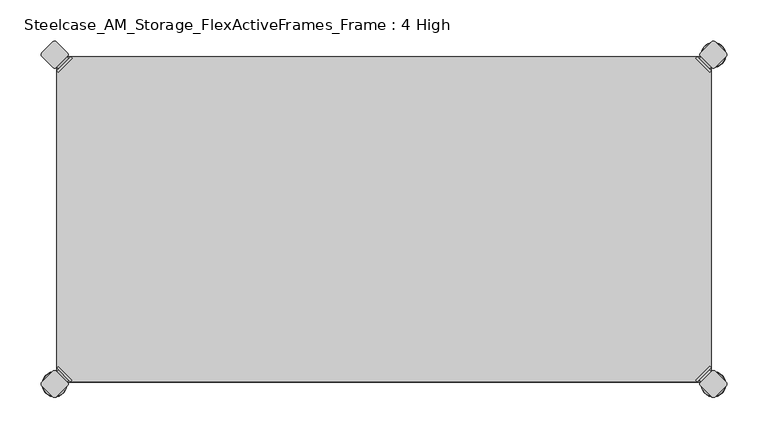
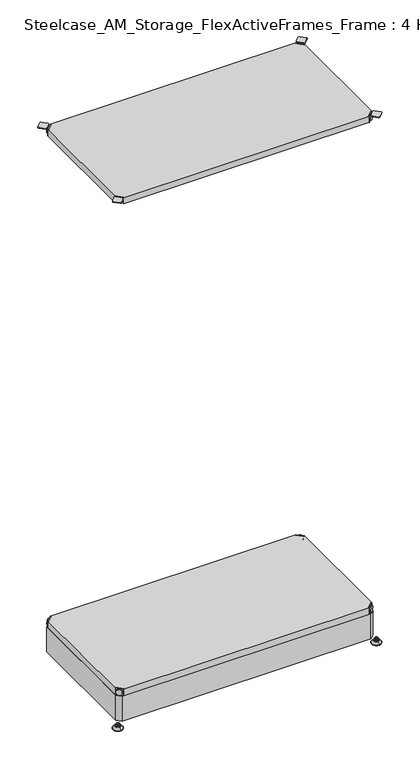
"""IFC4 building model written with IfcOpenShell, lengths in millimetres: furniture geometry, Steelcase_AM_Storage_FlexActiveFrames_Frame : 4 High."""

from ifc_helpers import new_model, si_unit, point, frame, frame_2d, origin, place, context, project, spatial, polyline, circle_curve, ellipse_curve, trimmed, segment, composite_curve, outline, extrude, source, transform, mapped, element, save
from ifc_brep_helpers import plane_surface, cylinder_surface, revolved_surface, advanced_brep


def steelcase_am_storage_flexactiveframes_frame_4_high_690be0ef(model_context):
    return source(origin(), model_context, "Body", "SolidModel", [
        advanced_brep(
        [(797.56, -380.2870969, 1725.93), (795.7639488, -378.4910456, 1725.93), (778.5410456, -395.7139488, 1725.93), (780.3370969, -397.51, 1725.93), (780.3370969, -397.51, 1704.594), (797.56, -380.2870969, 1704.594), (795.2347277, -382.6123691, 1715.77), (782.6623691, -395.1847277, 1715.77), (769.8079478, -352.5350447, 1705.61), (752.5850447, -369.7579478, 1705.61), (778.5410456, -395.7139488, 1705.61), (795.7639488, -378.4910456, 1705.61), (769.8079478, -352.5350447, 1704.594), (752.5850447, -369.7579478, 1704.594), (784.9772487, -397.4996073, 1715.77), (797.5496073, -384.9272487, 1715.77)],
        [
            (0, 1),
            (1, 2),
            (2, 3),
            (3, 0),
            (3, 4),
            (4, 5),
            (5, 0),
            (6, 7, circle_curve(frame((788.9485484, -388.8985484, 1715.77), z_axis=(-0.7071067811865446, 0.7071067811865505, 0.0), x_axis=(0.7071067811865505, 0.7071067811865446, 0.0)), 8.89)),
            (7, 6, circle_curve(frame((788.9485484, -388.8985484, 1715.77), z_axis=(-0.7071067811865446, 0.7071067811865505, 0.0), x_axis=(0.7071067811865505, 0.7071067811865446, 0.0)), 8.89)),
            (8, 9, circle_curve(frame((761.1964963, -361.1464963, 1705.61), z_axis=(0.0, 0.0, 1.0), x_axis=(-1.0, 0.0, 0.0)), 12.1784316)),
            (9, 10),
            (10, 11),
            (11, 8),
            (12, 5),
            (4, 13),
            (13, 12, circle_curve(frame((761.1964963, -361.1464963, 1704.594), z_axis=(0.0, 0.0, -1.0), x_axis=(-1.0, 0.0, 0.0)), 12.1784316)),
            (14, 15, circle_curve(frame((791.263428, -391.213428, 1715.77), z_axis=(0.7071067811865446, -0.7071067811865505, 0.0), x_axis=(0.7071067811865505, 0.7071067811865446, 0.0)), 8.89)),
            (15, 14, circle_curve(frame((791.263428, -391.213428, 1715.77), z_axis=(0.7071067811865446, -0.7071067811865505, 0.0), x_axis=(0.7071067811865505, 0.7071067811865446, 0.0)), 8.89)),
            (14, 7),
            (6, 15),
            (1, 11),
            (10, 2),
            (8, 12),
            (13, 9),
        ],
        [
            plane_surface(frame((819.7579872, -402.485084, 1725.93), z_axis=(0.0, 0.0, 1.0000000000000002), x_axis=(-0.7071067811865436, 0.7071067811865516, 0.0))),
            plane_surface(frame((780.3370969, -397.51, 1725.93), z_axis=(0.7071067811865447, -0.7071067811865503, 0.0), x_axis=(0.0, 0.0, -1.0))),
            plane_surface(frame((749.0180647, -361.1464963, 1705.61), z_axis=(0.0, 0.0, 1.0), x_axis=(0.0, -1.0, 0.0))),
            plane_surface(frame((749.0180647, -361.1464963, 1704.594), z_axis=(0.0, 0.0, -1.0), x_axis=(0.0, 1.0, 0.0))),
            plane_surface(frame((797.5496073, -384.9272487, 1715.77), z_axis=(0.7071067811865446, -0.7071067811865505, 0.0), x_axis=(0.0, 0.0, 1.0))),
            cylinder_surface(frame((788.9485484, -388.8985484, 1715.77), z_axis=(0.7071067811865446, -0.7071067811865505, 0.0), x_axis=(0.7071067811865505, 0.7071067811865446, 0.0)), 8.89),
            plane_surface(frame((795.7639488, -378.4910456, 1725.93), z_axis=(-0.7071067811865447, 0.7071067811865503, 0.0), x_axis=(0.0, 0.0, -1.0))),
            cylinder_surface(frame((761.1964963, -361.1464963, 1704.594), z_axis=(0.0, 0.0, 1.0), x_axis=(-1.0, 0.0, 0.0)), 12.1784316),
            plane_surface(frame((797.56, -380.2870969, 1725.93), z_axis=(0.7071067811865516, 0.7071067811865436, 0.0), x_axis=(0.0, 0.0, -1.0))),
            plane_surface(frame((778.5410456, -395.7139488, 1725.93), z_axis=(-0.7071067811865513, -0.7071067811865437, 0.0), x_axis=(0.0, 0.0, -1.0))),
        ],
        [
            (0, [[1, 2, 3, 4]]),
            (1, [[-4, 5, 6, 7], [8, 9]]),
            (2, [[10, 11, 12, 13]]),
            (3, [[14, -6, 15, 16]]),
            (4, [[17, 18]]),
            (5, [[-17, 19, -8, 20]]),
            (5, [[-18, -20, -9, -19]]),
            (6, [[-2, 21, -12, 22]]),
            (7, [[-10, 23, -16, 24]]),
            (8, [[-1, -7, -14, -23, -13, -21]]),
            (9, [[-3, -22, -11, -24, -15, -5]]),
        ],
    ),
        advanced_brep(
        [(797.56, -19.7629031, 1725.93), (780.3370969, -2.54, 1725.93), (778.5410456, -4.3360512, 1725.93), (795.7639488, -21.5589544, 1725.93), (797.56, -19.7629031, 1704.594), (780.3370969, -2.54, 1704.594), (795.2347277, -17.4376309, 1715.77), (782.6623691, -4.8652723, 1715.77), (769.8079478, -47.5149553, 1705.61), (795.7639488, -21.5589544, 1705.61), (778.5410456, -4.3360512, 1705.61), (752.5850447, -30.2920522, 1705.61), (769.8079478, -47.5149553, 1704.594), (752.5850447, -30.2920522, 1704.594), (784.9772487, -2.5503927, 1715.77), (797.5496073, -15.1227513, 1715.77)],
        [
            (0, 1),
            (1, 2),
            (2, 3),
            (3, 0),
            (0, 4),
            (4, 5),
            (5, 1),
            (6, 7, circle_curve(frame((788.9485484, -11.1514516, 1715.77), z_axis=(-0.7071067811865469, -0.7071067811865481, 0.0), x_axis=(0.7071067811865481, -0.7071067811865469, 0.0)), 8.89)),
            (7, 6, circle_curve(frame((788.9485484, -11.1514516, 1715.77), z_axis=(-0.7071067811865469, -0.7071067811865481, 0.0), x_axis=(0.7071067811865481, -0.7071067811865469, 0.0)), 8.89)),
            (8, 9),
            (9, 10),
            (10, 11),
            (11, 8, circle_curve(frame((761.1964963, -38.9035037, 1705.61), z_axis=(0.0, 0.0, 1.0), x_axis=(-1.0, 0.0, 0.0)), 12.1784316)),
            (12, 13, circle_curve(frame((761.1964963, -38.9035037, 1704.594), z_axis=(0.0, 0.0, -1.0), x_axis=(-1.0, 0.0, 0.0)), 12.1784316)),
            (13, 5),
            (4, 12),
            (14, 15, circle_curve(frame((791.263428, -8.836572, 1715.77), z_axis=(0.7071067811865469, 0.7071067811865481, 0.0), x_axis=(0.7071067811865481, -0.7071067811865469, 0.0)), 8.89)),
            (15, 14, circle_curve(frame((791.263428, -8.836572, 1715.77), z_axis=(0.7071067811865469, 0.7071067811865481, 0.0), x_axis=(0.7071067811865481, -0.7071067811865469, 0.0)), 8.89)),
            (15, 6),
            (7, 14),
            (2, 10),
            (9, 3),
            (11, 13),
            (12, 8),
        ],
        [
            plane_surface(frame((819.7579872, 2.435084, 1725.93), z_axis=(0.0, 0.0, 1.0000000000000002), x_axis=(-0.7071067811865459, -0.7071067811865492, 0.0))),
            plane_surface(frame((780.3370969, -2.54, 1725.93), z_axis=(0.707106781186547, 0.707106781186548, 0.0), x_axis=(0.0, 0.0, -1.0))),
            plane_surface(frame((749.0180647, -38.9035037, 1705.61), z_axis=(0.0, 0.0, 1.0), x_axis=(0.0, 1.0, 0.0))),
            plane_surface(frame((749.0180647, -38.9035037, 1704.594), z_axis=(0.0, 0.0, -1.0), x_axis=(0.0, -1.0, 0.0))),
            plane_surface(frame((797.5496073, -15.1227513, 1715.77), z_axis=(0.7071067811865469, 0.7071067811865481, 0.0), x_axis=(0.0, 0.0, 1.0))),
            cylinder_surface(frame((788.9485484, -11.1514516, 1715.77), z_axis=(0.7071067811865469, 0.7071067811865481, 0.0), x_axis=(0.7071067811865481, -0.7071067811865469, 0.0)), 8.89),
            plane_surface(frame((795.7639488, -21.5589544, 1725.93), z_axis=(-0.707106781186547, -0.707106781186548, 0.0), x_axis=(0.0, 0.0, -1.0))),
            cylinder_surface(frame((761.1964963, -38.9035037, 1704.594), z_axis=(0.0, 0.0, 1.0), x_axis=(-1.0, 0.0, 0.0)), 12.1784316),
            plane_surface(frame((797.56, -19.7629031, 1725.93), z_axis=(0.7071067811865492, -0.7071067811865459, 0.0), x_axis=(0.0, 0.0, -1.0))),
            plane_surface(frame((778.5410456, -4.3360512, 1725.93), z_axis=(-0.707106781186549, 0.707106781186546, 0.0), x_axis=(0.0, 0.0, -1.0))),
        ],
        [
            (0, [[1, 2, 3, 4]]),
            (1, [[5, 6, 7, -1], [8, 9]]),
            (2, [[10, 11, 12, 13]]),
            (3, [[14, 15, -6, 16]]),
            (4, [[17, 18]]),
            (5, [[19, -9, 20, -18]]),
            (5, [[-20, -8, -19, -17]]),
            (6, [[21, -11, 22, -3]]),
            (7, [[23, -14, 24, -13]]),
            (8, [[-22, -10, -24, -16, -5, -4]]),
            (9, [[-7, -15, -23, -12, -21, -2]]),
        ],
    ),
        advanced_brep(
        [(2.54, -19.7629031, 1725.93), (4.3360512, -21.5589544, 1725.93), (21.5589544, -4.3360512, 1725.93), (19.7629031, -2.54, 1725.93), (19.7629031, -2.54, 1704.594), (2.54, -19.7629031, 1704.594), (4.8652723, -17.4376309, 1715.77), (17.4376309, -4.8652723, 1715.77), (30.2920522, -47.5149553, 1705.61), (47.5149553, -30.2920522, 1705.61), (21.5589544, -4.3360512, 1705.61), (4.3360512, -21.5589544, 1705.61), (30.2920522, -47.5149553, 1704.594), (47.5149553, -30.2920522, 1704.594), (15.1227513, -2.5503927, 1715.77), (2.5503927, -15.1227513, 1715.77)],
        [
            (0, 1),
            (1, 2),
            (2, 3),
            (3, 0),
            (3, 4),
            (4, 5),
            (5, 0),
            (6, 7, circle_curve(frame((11.1514516, -11.1514516, 1715.77), z_axis=(0.7071067811865469, -0.7071067811865481, 0.0), x_axis=(-0.7071067811865481, -0.7071067811865469, 0.0)), 8.89)),
            (7, 6, circle_curve(frame((11.1514516, -11.1514516, 1715.77), z_axis=(0.7071067811865469, -0.7071067811865481, 0.0), x_axis=(-0.7071067811865481, -0.7071067811865469, 0.0)), 8.89)),
            (8, 9, circle_curve(frame((38.9035037, -38.9035037, 1705.61), z_axis=(0.0, 0.0, 1.0), x_axis=(1.0, 0.0, 0.0)), 12.1784316)),
            (9, 10),
            (10, 11),
            (11, 8),
            (12, 5),
            (4, 13),
            (13, 12, circle_curve(frame((38.9035037, -38.9035037, 1704.594), z_axis=(0.0, 0.0, -1.0), x_axis=(1.0, 0.0, 0.0)), 12.1784316)),
            (14, 15, circle_curve(frame((8.836572, -8.836572, 1715.77), z_axis=(-0.7071067811865469, 0.7071067811865481, 0.0), x_axis=(-0.7071067811865481, -0.7071067811865469, 0.0)), 8.89)),
            (15, 14, circle_curve(frame((8.836572, -8.836572, 1715.77), z_axis=(-0.7071067811865469, 0.7071067811865481, 0.0), x_axis=(-0.7071067811865481, -0.7071067811865469, 0.0)), 8.89)),
            (14, 7),
            (6, 15),
            (1, 11),
            (10, 2),
            (8, 12),
            (13, 9),
        ],
        [
            plane_surface(frame((-19.6579872, 2.435084, 1725.93), z_axis=(0.0, 0.0, 1.0000000000000002), x_axis=(0.7071067811865459, -0.7071067811865492, 0.0))),
            plane_surface(frame((19.7629031, -2.54, 1725.93), z_axis=(-0.707106781186547, 0.707106781186548, 0.0), x_axis=(0.0, 0.0, -1.0))),
            plane_surface(frame((51.0819353, -38.9035037, 1705.61), z_axis=(0.0, 0.0, 1.0), x_axis=(0.0, 1.0, 0.0))),
            plane_surface(frame((51.0819353, -38.9035037, 1704.594), z_axis=(0.0, 0.0, -1.0), x_axis=(0.0, -1.0, 0.0))),
            plane_surface(frame((2.5503927, -15.1227513, 1715.77), z_axis=(-0.7071067811865469, 0.7071067811865481, 0.0), x_axis=(0.0, 0.0, 1.0))),
            cylinder_surface(frame((11.1514516, -11.1514516, 1715.77), z_axis=(-0.7071067811865469, 0.7071067811865481, 0.0), x_axis=(-0.7071067811865481, -0.7071067811865469, 0.0)), 8.89),
            plane_surface(frame((4.3360512, -21.5589544, 1725.93), z_axis=(0.707106781186547, -0.707106781186548, 0.0), x_axis=(0.0, 0.0, -1.0))),
            cylinder_surface(frame((38.9035037, -38.9035037, 1704.594), z_axis=(0.0, 0.0, 1.0), x_axis=(1.0, 0.0, 0.0)), 12.1784316),
            plane_surface(frame((2.54, -19.7629031, 1725.93), z_axis=(-0.7071067811865492, -0.7071067811865459, 0.0), x_axis=(0.0, 0.0, -1.0))),
            plane_surface(frame((21.5589544, -4.3360512, 1725.93), z_axis=(0.707106781186549, 0.707106781186546, 0.0), x_axis=(0.0, 0.0, -1.0))),
        ],
        [
            (0, [[1, 2, 3, 4]]),
            (1, [[-4, 5, 6, 7], [8, 9]]),
            (2, [[10, 11, 12, 13]]),
            (3, [[14, -6, 15, 16]]),
            (4, [[17, 18]]),
            (5, [[-17, 19, -8, 20]]),
            (5, [[-18, -20, -9, -19]]),
            (6, [[-2, 21, -12, 22]]),
            (7, [[-10, 23, -16, 24]]),
            (8, [[-1, -7, -14, -23, -13, -21]]),
            (9, [[-3, -22, -11, -24, -15, -5]]),
        ],
    ),
        extrude(outline(polyline([(19.7629031, -2.54), (780.3370969, -2.54), (778.5410456, -4.3360512), (795.7639488, -21.5589544), (797.56, -19.7629031), (797.56, -380.2870969), (795.7639488, -378.4910456), (778.5410456, -395.7139488), (780.3370969, -397.51), (19.7629031, -397.51), (21.5589544, -395.7139488), (4.3360512, -378.4910456), (2.54, -380.2870969), (2.54, -19.7629031), (4.3360512, -21.5589544), (21.5589544, -4.3360512), (19.7629031, -2.54)])), frame((0.0, 0.0, 1705.61), z_axis=(0.0, 0.0, 1.0), x_axis=(1.0, 0.0, 0.0)), (0.0, 0.0, 1.0), 20.32),
        advanced_brep(
        [(2.54, -380.2870969, 118.9736), (19.7629031, -397.51, 118.9736), (21.5589544, -395.7139488, 118.9736), (4.3360512, -378.4910456, 118.9736), (2.54, -380.2870969, 97.6376), (19.7629031, -397.51, 97.6376), (4.8652723, -382.6123691, 108.8136), (17.4376309, -395.1847277, 108.8136), (30.2920522, -352.5350447, 98.6536), (4.3360512, -378.4910456, 98.6536), (21.5589544, -395.7139488, 98.6536), (47.5149553, -369.7579478, 98.6536), (30.2920522, -352.5350447, 97.6376), (47.5149553, -369.7579478, 97.6376), (15.1227513, -397.4996073, 108.8136), (2.5503927, -384.9272487, 108.8136)],
        [
            (0, 1),
            (1, 2),
            (2, 3),
            (3, 0),
            (0, 4),
            (4, 5),
            (5, 1),
            (6, 7, circle_curve(frame((11.1514516, -388.8985484, 108.8136), z_axis=(0.7071067811865446, 0.7071067811865505, 0.0), x_axis=(-0.7071067811865505, 0.7071067811865446, 0.0)), 8.89)),
            (7, 6, circle_curve(frame((11.1514516, -388.8985484, 108.8136), z_axis=(0.7071067811865446, 0.7071067811865505, 0.0), x_axis=(-0.7071067811865505, 0.7071067811865446, 0.0)), 8.89)),
            (8, 9),
            (9, 10),
            (10, 11),
            (11, 8, circle_curve(frame((38.9035037, -361.1464963, 98.6536), z_axis=(0.0, 0.0, 1.0), x_axis=(1.0, 0.0, 0.0)), 12.1784316)),
            (12, 13, circle_curve(frame((38.9035037, -361.1464963, 97.6376), z_axis=(0.0, 0.0, -1.0), x_axis=(1.0, 0.0, 0.0)), 12.1784316)),
            (13, 5),
            (4, 12),
            (14, 15, circle_curve(frame((8.836572, -391.213428, 108.8136), z_axis=(-0.7071067811865446, -0.7071067811865505, 0.0), x_axis=(-0.7071067811865505, 0.7071067811865446, 0.0)), 8.89)),
            (15, 14, circle_curve(frame((8.836572, -391.213428, 108.8136), z_axis=(-0.7071067811865446, -0.7071067811865505, 0.0), x_axis=(-0.7071067811865505, 0.7071067811865446, 0.0)), 8.89)),
            (15, 6),
            (7, 14),
            (2, 10),
            (9, 3),
            (11, 13),
            (12, 8),
        ],
        [
            plane_surface(frame((-19.6579872, -402.485084, 118.9736), z_axis=(0.0, 0.0, 1.0000000000000002), x_axis=(0.7071067811865436, 0.7071067811865516, 0.0))),
            plane_surface(frame((19.7629031, -397.51, 118.9736), z_axis=(-0.7071067811865447, -0.7071067811865503, 0.0), x_axis=(0.0, 0.0, -1.0))),
            plane_surface(frame((51.0819353, -361.1464963, 98.6536), z_axis=(0.0, 0.0, 1.0), x_axis=(0.0, -1.0, 0.0))),
            plane_surface(frame((51.0819353, -361.1464963, 97.6376), z_axis=(0.0, 0.0, -1.0), x_axis=(0.0, 1.0, 0.0))),
            plane_surface(frame((2.5503927, -384.9272487, 108.8136), z_axis=(-0.7071067811865446, -0.7071067811865505, 0.0), x_axis=(0.0, 0.0, 1.0))),
            cylinder_surface(frame((11.1514516, -388.8985484, 108.8136), z_axis=(-0.7071067811865446, -0.7071067811865505, 0.0), x_axis=(-0.7071067811865505, 0.7071067811865446, 0.0)), 8.89),
            plane_surface(frame((4.3360512, -378.4910456, 118.9736), z_axis=(0.7071067811865447, 0.7071067811865503, 0.0), x_axis=(0.0, 0.0, -1.0))),
            cylinder_surface(frame((38.9035037, -361.1464963, 97.6376), z_axis=(0.0, 0.0, 1.0), x_axis=(1.0, 0.0, 0.0)), 12.1784316),
            plane_surface(frame((2.54, -380.2870969, 118.9736), z_axis=(-0.7071067811865516, 0.7071067811865436, 0.0), x_axis=(0.0, 0.0, -1.0))),
            plane_surface(frame((21.5589544, -395.7139488, 118.9736), z_axis=(0.7071067811865513, -0.7071067811865437, 0.0), x_axis=(0.0, 0.0, -1.0))),
        ],
        [
            (0, [[1, 2, 3, 4]]),
            (1, [[5, 6, 7, -1], [8, 9]]),
            (2, [[10, 11, 12, 13]]),
            (3, [[14, 15, -6, 16]]),
            (4, [[17, 18]]),
            (5, [[19, -9, 20, -18]]),
            (5, [[-20, -8, -19, -17]]),
            (6, [[21, -11, 22, -3]]),
            (7, [[23, -14, 24, -13]]),
            (8, [[-22, -10, -24, -16, -5, -4]]),
            (9, [[-7, -15, -23, -12, -21, -2]]),
        ],
    ),
        advanced_brep(
        [(797.56, -380.2870969, 118.9736), (795.7639488, -378.4910456, 118.9736), (778.5410456, -395.7139488, 118.9736), (780.3370969, -397.51, 118.9736), (780.3370969, -397.51, 97.6376), (797.56, -380.2870969, 97.6376), (795.2347277, -382.6123691, 108.8136), (782.6623691, -395.1847277, 108.8136), (769.8079478, -352.5350447, 98.6536), (752.5850447, -369.7579478, 98.6536), (778.5410456, -395.7139488, 98.6536), (795.7639488, -378.4910456, 98.6536), (769.8079478, -352.5350447, 97.6376), (752.5850447, -369.7579478, 97.6376), (784.9772487, -397.4996073, 108.8136), (797.5496073, -384.9272487, 108.8136)],
        [
            (0, 1),
            (1, 2),
            (2, 3),
            (3, 0),
            (3, 4),
            (4, 5),
            (5, 0),
            (6, 7, circle_curve(frame((788.9485484, -388.8985484, 108.8136), z_axis=(-0.7071067811865446, 0.7071067811865505, 0.0), x_axis=(0.7071067811865505, 0.7071067811865446, 0.0)), 8.89)),
            (7, 6, circle_curve(frame((788.9485484, -388.8985484, 108.8136), z_axis=(-0.7071067811865446, 0.7071067811865505, 0.0), x_axis=(0.7071067811865505, 0.7071067811865446, 0.0)), 8.89)),
            (8, 9, circle_curve(frame((761.1964963, -361.1464963, 98.6536), z_axis=(0.0, 0.0, 1.0), x_axis=(-1.0, 0.0, 0.0)), 12.1784316)),
            (9, 10),
            (10, 11),
            (11, 8),
            (12, 5),
            (4, 13),
            (13, 12, circle_curve(frame((761.1964963, -361.1464963, 97.6376), z_axis=(0.0, 0.0, -1.0), x_axis=(-1.0, 0.0, 0.0)), 12.1784316)),
            (14, 15, circle_curve(frame((791.263428, -391.213428, 108.8136), z_axis=(0.7071067811865446, -0.7071067811865505, 0.0), x_axis=(0.7071067811865505, 0.7071067811865446, 0.0)), 8.89)),
            (15, 14, circle_curve(frame((791.263428, -391.213428, 108.8136), z_axis=(0.7071067811865446, -0.7071067811865505, 0.0), x_axis=(0.7071067811865505, 0.7071067811865446, 0.0)), 8.89)),
            (14, 7),
            (6, 15),
            (1, 11),
            (10, 2),
            (8, 12),
            (13, 9),
        ],
        [
            plane_surface(frame((819.7579872, -402.485084, 118.9736), z_axis=(0.0, 0.0, 1.0000000000000002), x_axis=(-0.7071067811865436, 0.7071067811865516, 0.0))),
            plane_surface(frame((780.3370969, -397.51, 118.9736), z_axis=(0.7071067811865447, -0.7071067811865503, 0.0), x_axis=(0.0, 0.0, -1.0))),
            plane_surface(frame((749.0180647, -361.1464963, 98.6536), z_axis=(0.0, 0.0, 1.0), x_axis=(0.0, -1.0, 0.0))),
            plane_surface(frame((749.0180647, -361.1464963, 97.6376), z_axis=(0.0, 0.0, -1.0), x_axis=(0.0, 1.0, 0.0))),
            plane_surface(frame((797.5496073, -384.9272487, 108.8136), z_axis=(0.7071067811865446, -0.7071067811865505, 0.0), x_axis=(0.0, 0.0, 1.0))),
            cylinder_surface(frame((788.9485484, -388.8985484, 108.8136), z_axis=(0.7071067811865446, -0.7071067811865505, 0.0), x_axis=(0.7071067811865505, 0.7071067811865446, 0.0)), 8.89),
            plane_surface(frame((795.7639488, -378.4910456, 118.9736), z_axis=(-0.7071067811865447, 0.7071067811865503, 0.0), x_axis=(0.0, 0.0, -1.0))),
            cylinder_surface(frame((761.1964963, -361.1464963, 97.6376), z_axis=(0.0, 0.0, 1.0), x_axis=(-1.0, 0.0, 0.0)), 12.1784316),
            plane_surface(frame((797.56, -380.2870969, 118.9736), z_axis=(0.7071067811865516, 0.7071067811865436, 0.0), x_axis=(0.0, 0.0, -1.0))),
            plane_surface(frame((778.5410456, -395.7139488, 118.9736), z_axis=(-0.7071067811865513, -0.7071067811865437, 0.0), x_axis=(0.0, 0.0, -1.0))),
        ],
        [
            (0, [[1, 2, 3, 4]]),
            (1, [[-4, 5, 6, 7], [8, 9]]),
            (2, [[10, 11, 12, 13]]),
            (3, [[14, -6, 15, 16]]),
            (4, [[17, 18]]),
            (5, [[-17, 19, -8, 20]]),
            (5, [[-18, -20, -9, -19]]),
            (6, [[-2, 21, -12, 22]]),
            (7, [[-10, 23, -16, 24]]),
            (8, [[-1, -7, -14, -23, -13, -21]]),
            (9, [[-3, -22, -11, -24, -15, -5]]),
        ],
    ),
        advanced_brep(
        [(797.56, -19.7629031, 118.9736), (780.3370969, -2.54, 118.9736), (778.5410456, -4.3360512, 118.9736), (795.7639488, -21.5589544, 118.9736), (797.56, -19.7629031, 97.6376), (780.3370969, -2.54, 97.6376), (795.2347277, -17.4376309, 108.8136), (782.6623691, -4.8652723, 108.8136), (769.8079478, -47.5149553, 98.6536), (795.7639488, -21.5589544, 98.6536), (778.5410456, -4.3360512, 98.6536), (752.5850447, -30.2920522, 98.6536), (769.8079478, -47.5149553, 97.6376), (752.5850447, -30.2920522, 97.6376), (784.9772487, -2.5503927, 108.8136), (797.5496073, -15.1227513, 108.8136)],
        [
            (0, 1),
            (1, 2),
            (2, 3),
            (3, 0),
            (0, 4),
            (4, 5),
            (5, 1),
            (6, 7, circle_curve(frame((788.9485484, -11.1514516, 108.8136), z_axis=(-0.7071067811865469, -0.7071067811865481, 0.0), x_axis=(0.7071067811865481, -0.7071067811865469, 0.0)), 8.89)),
            (7, 6, circle_curve(frame((788.9485484, -11.1514516, 108.8136), z_axis=(-0.7071067811865469, -0.7071067811865481, 0.0), x_axis=(0.7071067811865481, -0.7071067811865469, 0.0)), 8.89)),
            (8, 9),
            (9, 10),
            (10, 11),
            (11, 8, circle_curve(frame((761.1964963, -38.9035037, 98.6536), z_axis=(0.0, 0.0, 1.0), x_axis=(-1.0, 0.0, 0.0)), 12.1784316)),
            (12, 13, circle_curve(frame((761.1964963, -38.9035037, 97.6376), z_axis=(0.0, 0.0, -1.0), x_axis=(-1.0, 0.0, 0.0)), 12.1784316)),
            (13, 5),
            (4, 12),
            (14, 15, circle_curve(frame((791.263428, -8.836572, 108.8136), z_axis=(0.7071067811865469, 0.7071067811865481, 0.0), x_axis=(0.7071067811865481, -0.7071067811865469, 0.0)), 8.89)),
            (15, 14, circle_curve(frame((791.263428, -8.836572, 108.8136), z_axis=(0.7071067811865469, 0.7071067811865481, 0.0), x_axis=(0.7071067811865481, -0.7071067811865469, 0.0)), 8.89)),
            (15, 6),
            (7, 14),
            (2, 10),
            (9, 3),
            (11, 13),
            (12, 8),
        ],
        [
            plane_surface(frame((819.7579872, 2.435084, 118.9736), z_axis=(0.0, 0.0, 1.0000000000000002), x_axis=(-0.7071067811865459, -0.7071067811865492, 0.0))),
            plane_surface(frame((780.3370969, -2.54, 118.9736), z_axis=(0.707106781186547, 0.707106781186548, 0.0), x_axis=(0.0, 0.0, -1.0))),
            plane_surface(frame((749.0180647, -38.9035037, 98.6536), z_axis=(0.0, 0.0, 1.0), x_axis=(0.0, 1.0, 0.0))),
            plane_surface(frame((749.0180647, -38.9035037, 97.6376), z_axis=(0.0, 0.0, -1.0), x_axis=(0.0, -1.0, 0.0))),
            plane_surface(frame((797.5496073, -15.1227513, 108.8136), z_axis=(0.7071067811865469, 0.7071067811865481, 0.0), x_axis=(0.0, 0.0, 1.0))),
            cylinder_surface(frame((788.9485484, -11.1514516, 108.8136), z_axis=(0.7071067811865469, 0.7071067811865481, 0.0), x_axis=(0.7071067811865481, -0.7071067811865469, 0.0)), 8.89),
            plane_surface(frame((795.7639488, -21.5589544, 118.9736), z_axis=(-0.707106781186547, -0.707106781186548, 0.0), x_axis=(0.0, 0.0, -1.0))),
            cylinder_surface(frame((761.1964963, -38.9035037, 97.6376), z_axis=(0.0, 0.0, 1.0), x_axis=(-1.0, 0.0, 0.0)), 12.1784316),
            plane_surface(frame((797.56, -19.7629031, 118.9736), z_axis=(0.7071067811865492, -0.7071067811865459, 0.0), x_axis=(0.0, 0.0, -1.0))),
            plane_surface(frame((778.5410456, -4.3360512, 118.9736), z_axis=(-0.707106781186549, 0.707106781186546, 0.0), x_axis=(0.0, 0.0, -1.0))),
        ],
        [
            (0, [[1, 2, 3, 4]]),
            (1, [[5, 6, 7, -1], [8, 9]]),
            (2, [[10, 11, 12, 13]]),
            (3, [[14, 15, -6, 16]]),
            (4, [[17, 18]]),
            (5, [[19, -9, 20, -18]]),
            (5, [[-20, -8, -19, -17]]),
            (6, [[21, -11, 22, -3]]),
            (7, [[23, -14, 24, -13]]),
            (8, [[-22, -10, -24, -16, -5, -4]]),
            (9, [[-7, -15, -23, -12, -21, -2]]),
        ],
    ),
        advanced_brep(
        [(2.54, -19.7629031, 118.9736), (4.3360512, -21.5589544, 118.9736), (21.5589544, -4.3360512, 118.9736), (19.7629031, -2.54, 118.9736), (19.7629031, -2.54, 97.6376), (2.54, -19.7629031, 97.6376), (4.8652723, -17.4376309, 108.8136), (17.4376309, -4.8652723, 108.8136), (30.2920522, -47.5149553, 98.6536), (47.5149553, -30.2920522, 98.6536), (21.5589544, -4.3360512, 98.6536), (4.3360512, -21.5589544, 98.6536), (30.2920522, -47.5149553, 97.6376), (47.5149553, -30.2920522, 97.6376), (15.1227513, -2.5503927, 108.8136), (2.5503927, -15.1227513, 108.8136)],
        [
            (0, 1),
            (1, 2),
            (2, 3),
            (3, 0),
            (3, 4),
            (4, 5),
            (5, 0),
            (6, 7, circle_curve(frame((11.1514516, -11.1514516, 108.8136), z_axis=(0.7071067811865469, -0.7071067811865481, 0.0), x_axis=(-0.7071067811865481, -0.7071067811865469, 0.0)), 8.89)),
            (7, 6, circle_curve(frame((11.1514516, -11.1514516, 108.8136), z_axis=(0.7071067811865469, -0.7071067811865481, 0.0), x_axis=(-0.7071067811865481, -0.7071067811865469, 0.0)), 8.89)),
            (8, 9, circle_curve(frame((38.9035037, -38.9035037, 98.6536), z_axis=(0.0, 0.0, 1.0), x_axis=(1.0, 0.0, 0.0)), 12.1784316)),
            (9, 10),
            (10, 11),
            (11, 8),
            (12, 5),
            (4, 13),
            (13, 12, circle_curve(frame((38.9035037, -38.9035037, 97.6376), z_axis=(0.0, 0.0, -1.0), x_axis=(1.0, 0.0, 0.0)), 12.1784316)),
            (14, 15, circle_curve(frame((8.836572, -8.836572, 108.8136), z_axis=(-0.7071067811865469, 0.7071067811865481, 0.0), x_axis=(-0.7071067811865481, -0.7071067811865469, 0.0)), 8.89)),
            (15, 14, circle_curve(frame((8.836572, -8.836572, 108.8136), z_axis=(-0.7071067811865469, 0.7071067811865481, 0.0), x_axis=(-0.7071067811865481, -0.7071067811865469, 0.0)), 8.89)),
            (14, 7),
            (6, 15),
            (1, 11),
            (10, 2),
            (8, 12),
            (13, 9),
        ],
        [
            plane_surface(frame((-19.6579872, 2.435084, 118.9736), z_axis=(0.0, 0.0, 1.0000000000000002), x_axis=(0.7071067811865459, -0.7071067811865492, 0.0))),
            plane_surface(frame((19.7629031, -2.54, 118.9736), z_axis=(-0.707106781186547, 0.707106781186548, 0.0), x_axis=(0.0, 0.0, -1.0))),
            plane_surface(frame((51.0819353, -38.9035037, 98.6536), z_axis=(0.0, 0.0, 1.0), x_axis=(0.0, 1.0, 0.0))),
            plane_surface(frame((51.0819353, -38.9035037, 97.6376), z_axis=(0.0, 0.0, -1.0), x_axis=(0.0, -1.0, 0.0))),
            plane_surface(frame((2.5503927, -15.1227513, 108.8136), z_axis=(-0.7071067811865469, 0.7071067811865481, 0.0), x_axis=(0.0, 0.0, 1.0))),
            cylinder_surface(frame((11.1514516, -11.1514516, 108.8136), z_axis=(-0.7071067811865469, 0.7071067811865481, 0.0), x_axis=(-0.7071067811865481, -0.7071067811865469, 0.0)), 8.89),
            plane_surface(frame((4.3360512, -21.5589544, 118.9736), z_axis=(0.707106781186547, -0.707106781186548, 0.0), x_axis=(0.0, 0.0, -1.0))),
            cylinder_surface(frame((38.9035037, -38.9035037, 97.6376), z_axis=(0.0, 0.0, 1.0), x_axis=(1.0, 0.0, 0.0)), 12.1784316),
            plane_surface(frame((2.54, -19.7629031, 118.9736), z_axis=(-0.7071067811865492, -0.7071067811865459, 0.0), x_axis=(0.0, 0.0, -1.0))),
            plane_surface(frame((21.5589544, -4.3360512, 118.9736), z_axis=(0.707106781186549, 0.707106781186546, 0.0), x_axis=(0.0, 0.0, -1.0))),
        ],
        [
            (0, [[1, 2, 3, 4]]),
            (1, [[-4, 5, 6, 7], [8, 9]]),
            (2, [[10, 11, 12, 13]]),
            (3, [[14, -6, 15, 16]]),
            (4, [[17, 18]]),
            (5, [[-17, 19, -8, 20]]),
            (5, [[-18, -20, -9, -19]]),
            (6, [[-2, 21, -12, 22]]),
            (7, [[-10, 23, -16, 24]]),
            (8, [[-1, -7, -14, -23, -13, -21]]),
            (9, [[-3, -22, -11, -24, -15, -5]]),
        ],
    ),
        extrude(outline(polyline([(19.7629031, -2.54), (780.3370969, -2.54), (778.5410456, -4.3360512), (795.7639488, -21.5589544), (797.56, -19.7629031), (797.56, -380.2870969), (795.7639488, -378.4910456), (778.5410456, -395.7139488), (780.3370969, -397.51), (19.7629031, -397.51), (21.5589544, -395.7139488), (4.3360512, -378.4910456), (2.54, -380.2870969), (2.54, -19.7629031), (4.3360512, -21.5589544), (21.5589544, -4.3360512), (19.7629031, -2.54)])), frame((0.0, 0.0, 98.6536), z_axis=(0.0, 0.0, 1.0), x_axis=(1.0, 0.0, 0.0)), (0.0, 0.0, 1.0), 20.32),
        extrude(outline(composite_curve([segment(polyline([(-2.245064, -15.4326055), (-15.4326055, -2.245064)]), True, "CONTINUOUS"), segment(trimmed(circle_curve(frame_2d((-13.1875415, 0.0)), 3.175), [point((-15.4326055, -2.245064))], [point((-15.4326055, 2.245064))], False, "CARTESIAN"), True, "CONTINUOUS"), segment(polyline([(-15.4326055, 2.245064), (-2.245064, 15.4326055)]), True, "CONTINUOUS"), segment(trimmed(circle_curve(frame_2d((0.0, 13.1875415)), 3.175), [point((-2.245064, 15.4326055))], [point((2.245064, 15.4326055))], False, "CARTESIAN"), True, "CONTINUOUS"), segment(polyline([(2.245064, 15.4326055), (15.4326055, 2.245064)]), True, "CONTINUOUS"), segment(trimmed(circle_curve(frame_2d((13.1875415, 0.0)), 3.175), [point((15.4326055, 2.245064))], [point((15.4326055, -2.245064))], False, "CARTESIAN"), True, "CONTINUOUS"), segment(polyline([(15.4326055, -2.245064), (2.245064, -15.4326055)]), True, "CONTINUOUS"), segment(trimmed(circle_curve(frame_2d((0.0, -13.1875415)), 3.175), [point((2.245064, -15.4326055))], [point((-2.245064, -15.4326055))], False, "CARTESIAN"), True, "CONTINUOUS")], self_intersect=False)), frame((0.0, 0.0, 1725.93), z_axis=(0.0, 0.0, 1.0), x_axis=(1.0, 0.0, 0.0)), (0.0, 0.0, 1.0), 2.032),
        extrude(outline(composite_curve([segment(trimmed(circle_curve(frame_2d((800.1, -13.1875415)), 3.175), [point((802.345064, -15.4326055))], [point((797.854936, -15.4326055))], False, "CARTESIAN"), True, "CONTINUOUS"), segment(polyline([(797.854936, -15.4326055), (784.6673945, -2.245064)]), True, "CONTINUOUS"), segment(trimmed(circle_curve(frame_2d((786.9124585, 0.0)), 3.175), [point((784.6673945, -2.245064))], [point((784.6673945, 2.245064))], False, "CARTESIAN"), True, "CONTINUOUS"), segment(polyline([(784.6673945, 2.245064), (797.854936, 15.4326055)]), True, "CONTINUOUS"), segment(trimmed(circle_curve(frame_2d((800.1, 13.1875415)), 3.175), [point((797.854936, 15.4326055))], [point((802.345064, 15.4326055))], False, "CARTESIAN"), True, "CONTINUOUS"), segment(polyline([(802.345064, 15.4326055), (815.5326055, 2.245064)]), True, "CONTINUOUS"), segment(trimmed(circle_curve(frame_2d((813.2875415, 0.0)), 3.175), [point((815.5326055, 2.245064))], [point((815.5326055, -2.245064))], False, "CARTESIAN"), True, "CONTINUOUS"), segment(polyline([(815.5326055, -2.245064), (802.345064, -15.4326055)]), True, "CONTINUOUS")], self_intersect=False)), frame((0.0, 0.0, 1725.93), z_axis=(0.0, 0.0, 1.0), x_axis=(1.0, 0.0, 0.0)), (0.0, 0.0, 1.0), 2.032),
        extrude(outline(composite_curve([segment(polyline([(802.345064, -384.6173945), (815.5326055, -397.804936)]), True, "CONTINUOUS"), segment(trimmed(circle_curve(frame_2d((813.2875415, -400.05)), 3.175), [point((815.5326055, -397.804936))], [point((815.5326055, -402.295064))], False, "CARTESIAN"), True, "CONTINUOUS"), segment(polyline([(815.5326055, -402.295064), (802.345064, -415.4826055)]), True, "CONTINUOUS"), segment(trimmed(circle_curve(frame_2d((800.1, -413.2375415)), 3.175), [point((802.345064, -415.4826055))], [point((797.854936, -415.4826055))], False, "CARTESIAN"), True, "CONTINUOUS"), segment(polyline([(797.854936, -415.4826055), (784.6673945, -402.295064)]), True, "CONTINUOUS"), segment(trimmed(circle_curve(frame_2d((786.9124585, -400.05)), 3.175), [point((784.6673945, -402.295064))], [point((784.6673945, -397.804936))], False, "CARTESIAN"), True, "CONTINUOUS"), segment(polyline([(784.6673945, -397.804936), (797.854936, -384.6173945)]), True, "CONTINUOUS"), segment(trimmed(circle_curve(frame_2d((800.1, -386.8624585)), 3.175), [point((797.854936, -384.6173945))], [point((802.345064, -384.6173945))], False, "CARTESIAN"), True, "CONTINUOUS")], self_intersect=False)), frame((0.0, 0.0, 1725.93), z_axis=(0.0, 0.0, 1.0), x_axis=(1.0, 0.0, 0.0)), (0.0, 0.0, 1.0), 2.032),
        extrude(outline(composite_curve([segment(trimmed(circle_curve(frame_2d((0.0, -386.8624585)), 3.175), [point((-2.245064, -384.6173945))], [point((2.245064, -384.6173945))], False, "CARTESIAN"), True, "CONTINUOUS"), segment(polyline([(2.245064, -384.6173945), (15.4326055, -397.804936)]), True, "CONTINUOUS"), segment(trimmed(circle_curve(frame_2d((13.1875415, -400.05)), 3.175), [point((15.4326055, -397.804936))], [point((15.4326055, -402.295064))], False, "CARTESIAN"), True, "CONTINUOUS"), segment(polyline([(15.4326055, -402.295064), (2.245064, -415.4826055)]), True, "CONTINUOUS"), segment(trimmed(circle_curve(frame_2d((0.0, -413.2375415)), 3.175), [point((2.245064, -415.4826055))], [point((-2.245064, -415.4826055))], False, "CARTESIAN"), True, "CONTINUOUS"), segment(polyline([(-2.245064, -415.4826055), (-15.4326055, -402.295064)]), True, "CONTINUOUS"), segment(trimmed(circle_curve(frame_2d((-13.1875415, -400.05)), 3.175), [point((-15.4326055, -402.295064))], [point((-15.4326055, -397.804936))], False, "CARTESIAN"), True, "CONTINUOUS"), segment(polyline([(-15.4326055, -397.804936), (-2.245064, -384.6173945)]), True, "CONTINUOUS")], self_intersect=False)), frame((0.0, 0.0, 1725.93), z_axis=(0.0, 0.0, 1.0), x_axis=(1.0, 0.0, 0.0)), (0.0, 0.0, 1.0), 2.032),
        extrude(outline(polyline([(2.54, -384.9123305), (2.54, -15.1376695), (15.1376695, -2.54), (784.9623305, -2.54), (797.56, -15.1376695), (797.56, -384.9123305), (784.9623305, -397.51), (15.1376695, -397.51), (2.54, -384.9123305)]), holes=[polyline([(12.7, -15.748), (12.7, -387.35), (787.4, -387.35), (787.4, -15.748), (12.7, -15.748)])]), frame((0.0, 0.0, 15.9766), z_axis=(0.0, 0.0, 1.0), x_axis=(1.0, 0.0, 0.0)), (0.0, 0.0, 1.0), 81.28),
        advanced_brep(
        [(800.1, 3.999659, 15.9766), (800.1, -3.999659, 15.9766), (800.1, 0.0, 15.9766), (800.1, 3.999659, 12.6000054), (800.1, -3.999659, 12.6000054), (800.1, 5.8601455, 12.6000054), (800.1, -5.8601455, 12.6000054), (800.1, 6.4951462, 11.9650074), (800.1, -6.4951462, 11.9650074), (800.1, 6.4951462, 9.0000124), (800.1, -6.4951462, 9.0000124), (800.1, 8.7421976, 9.0000124), (800.1, -8.7421976, 9.0000124), (800.1, 14.7060077, 2.3275608), (800.1, -14.7060077, 2.3275608), (800.1, 13.664601, 0.0), (800.1, -13.664601, 0.0), (800.1, 0.0, 0.0)],
        [
            (0, 1, circle_curve(frame((800.1, 0.0, 15.9766), z_axis=(0.0, 0.0, 1.0), x_axis=(0.0, -1.0, 0.0)), 3.999659)),
            (1, 2),
            (2, 0),
            (1, 0, circle_curve(frame((800.1, 0.0, 15.9766), z_axis=(0.0, 0.0, 1.0), x_axis=(0.0, -1.0, 0.0)), 3.999659)),
            (3, 4, circle_curve(frame((800.1, 0.0, 12.6000054), z_axis=(0.0, 0.0, 1.0), x_axis=(0.0, -1.0, 0.0)), 3.999659)),
            (4, 1),
            (0, 3),
            (4, 3, circle_curve(frame((800.1, 0.0, 12.6000054), z_axis=(0.0, 0.0, 1.0), x_axis=(0.0, -1.0, 0.0)), 3.999659)),
            (5, 6, circle_curve(frame((800.1, 0.0, 12.6000054), z_axis=(0.0, 0.0, 1.0), x_axis=(0.0, -1.0, 0.0)), 5.8601455)),
            (6, 4),
            (3, 5),
            (6, 5, circle_curve(frame((800.1, 0.0, 12.6000054), z_axis=(0.0, 0.0, 1.0), x_axis=(0.0, -1.0, 0.0)), 5.8601455)),
            (7, 8, circle_curve(frame((800.1, 0.0, 11.9650074), z_axis=(0.0, 0.0, 1.0), x_axis=(0.0, -1.0, 0.0)), 6.4951462)),
            (8, 6, circle_curve(frame((800.1, -5.8601462, 11.9650074), z_axis=(-1.0, 0.0, 0.0), x_axis=(0.0, -1.0, 0.0)), 0.635)),
            (5, 7, circle_curve(frame((800.1, 5.8601462, 11.9650074), z_axis=(-1.0, 0.0, 0.0), x_axis=(0.0, 1.0, 0.0)), 0.635)),
            (8, 7, circle_curve(frame((800.1, 0.0, 11.9650074), z_axis=(0.0, 0.0, 1.0), x_axis=(0.0, -1.0, 0.0)), 6.4951462)),
            (9, 10, circle_curve(frame((800.1, 0.0, 9.0000124), z_axis=(0.0, 0.0, 1.0), x_axis=(0.0, -1.0, 0.0)), 6.4951462)),
            (10, 8),
            (7, 9),
            (10, 9, circle_curve(frame((800.1, 0.0, 9.0000124), z_axis=(0.0, 0.0, 1.0), x_axis=(0.0, -1.0, 0.0)), 6.4951462)),
            (11, 12, circle_curve(frame((800.1, 0.0, 9.0000124), z_axis=(0.0, 0.0, 1.0), x_axis=(0.0, -1.0, 0.0)), 8.7421976)),
            (12, 10),
            (9, 11),
            (12, 11, circle_curve(frame((800.1, 0.0, 9.0000124), z_axis=(0.0, 0.0, 1.0), x_axis=(0.0, -1.0, 0.0)), 8.7421976)),
            (13, 14, circle_curve(frame((800.1, 0.0, 2.3275608), z_axis=(0.0, 0.0, 1.0), x_axis=(0.0, -1.0, 0.0)), 14.7060077)),
            (14, 12),
            (11, 13),
            (14, 13, circle_curve(frame((800.1, 0.0, 2.3275608), z_axis=(0.0, 0.0, 1.0), x_axis=(0.0, -1.0, 0.0)), 14.7060077)),
            (15, 16, circle_curve(frame((800.1, 0.0, 0.0), z_axis=(0.0, 0.0, 1.0), x_axis=(0.0, -1.0, 0.0)), 13.664601)),
            (16, 14, circle_curve(frame((800.1, -13.664601, 1.3967556), z_axis=(-1.0, 0.0, 0.0), x_axis=(0.0, -1.0, 0.0)), 1.3967556)),
            (13, 15, circle_curve(frame((800.1, 13.664601, 1.3967556), z_axis=(-1.0, 0.0, 0.0), x_axis=(0.0, 1.0, 0.0)), 1.3967556)),
            (16, 15, circle_curve(frame((800.1, 0.0, 0.0), z_axis=(0.0, 0.0, 1.0), x_axis=(0.0, -1.0, 0.0)), 13.664601)),
            (17, 16),
            (15, 17),
        ],
        [
            plane_surface(frame((800.1, 0.0, 15.9766), z_axis=(0.0, 0.0, 1.0), x_axis=(0.0, -1.0, 0.0))),
            cylinder_surface(frame((800.1, 0.0, -4.132372), z_axis=(0.0, 0.0, -1.0), x_axis=(0.0, -1.0, 0.0)), 3.999659),
            plane_surface(frame((800.1, 0.0, 12.6000054), z_axis=(0.0, 0.0, 1.0), x_axis=(0.0, -1.0, 0.0))),
            revolved_surface(trimmed(ellipse_curve(frame((800.1, -5.8601462, 11.9650074), z_axis=(1.0, 0.0, 0.0), x_axis=(0.0, -1.0, 0.0)), 0.635, 0.635), [point((800.1, -5.8601455, 12.6000074))], [point((800.1, -6.4951462, 11.9650074))], True, "CARTESIAN"), (800.1, 0.0, -4.132372), (0.0, 0.0, -1.0)),
            cylinder_surface(frame((800.1, 0.0, -4.132372), z_axis=(0.0, 0.0, -1.0), x_axis=(0.0, -1.0, 0.0)), 6.4951462),
            plane_surface(frame((800.1, 0.0, 9.0000124), z_axis=(0.0, 0.0, 1.0), x_axis=(0.0, -1.0, 0.0))),
            revolved_surface(polyline([(800.1, -8.7421976, 9.0000124), (800.1, -14.7060077, 2.3275608)]), (800.1, 0.0, -4.132372), (0.0, 0.0, -1.0)),
            revolved_surface(trimmed(ellipse_curve(frame((800.1, -13.664601, 1.3967556), z_axis=(1.0, 0.0, 0.0), x_axis=(0.0, -1.0, 0.0)), 1.3967556, 1.3967556), [point((800.1, -14.7060077, 2.3275608))], [point((800.1, -13.664601, 0.0))], True, "CARTESIAN"), (800.1, 0.0, -4.132372), (0.0, 0.0, -1.0)),
            plane_surface(frame((800.1, 0.0, 0.0), z_axis=(0.0, 0.0, -1.0), x_axis=(0.0, -1.0, 0.0))),
        ],
        [
            (0, [[1, 2, 3]]),
            (0, [[4, -3, -2]]),
            (1, [[5, 6, -1, 7]]),
            (1, [[8, -7, -4, -6]]),
            (2, [[9, 10, -5, 11]]),
            (2, [[12, -11, -8, -10]]),
            (3, [[13, 14, -9, 15]]),
            (3, [[16, -15, -12, -14]]),
            (4, [[17, 18, -13, 19]]),
            (4, [[20, -19, -16, -18]]),
            (5, [[21, 22, -17, 23]]),
            (5, [[24, -23, -20, -22]]),
            (6, [[25, 26, -21, 27]]),
            (6, [[28, -27, -24, -26]]),
            (7, [[29, 30, -25, 31]]),
            (7, [[32, -31, -28, -30]]),
            (8, [[33, -29, 34]]),
            (8, [[-34, -32, -33]]),
        ],
    ),
        advanced_brep(
        [(800.1, -400.05, 15.9766), (800.1, -396.050341, 15.9766), (800.1, -404.049659, 15.9766), (800.1, -396.050341, 12.6000054), (800.1, -404.049659, 12.6000054), (800.1, -394.1898545, 12.6000074), (800.1, -405.9101455, 12.6000074), (800.1, -393.5548538, 11.9650074), (800.1, -406.5451462, 11.9650074), (800.1, -393.5548538, 9.0000124), (800.1, -406.5451462, 9.0000124), (800.1, -391.3078024, 9.0000124), (800.1, -408.7921976, 9.0000124), (800.1, -385.3439923, 2.3275608), (800.1, -414.7560077, 2.3275608), (800.1, -386.385399, 0.0), (800.1, -413.714601, 0.0), (800.1, -400.05, 0.0)],
        [
            (0, 1),
            (1, 2, circle_curve(frame((800.1, -400.05, 15.9766), z_axis=(0.0, 0.0, 1.0), x_axis=(0.0, 1.0, 0.0)), 3.999659)),
            (2, 0),
            (2, 1, circle_curve(frame((800.1, -400.05, 15.9766), z_axis=(0.0, 0.0, 1.0), x_axis=(0.0, 1.0, 0.0)), 3.999659)),
            (1, 3),
            (3, 4, circle_curve(frame((800.1, -400.05, 12.6000054), z_axis=(0.0, 0.0, 1.0), x_axis=(0.0, 1.0, 0.0)), 3.999659)),
            (4, 2),
            (4, 3, circle_curve(frame((800.1, -400.05, 12.6000054), z_axis=(0.0, 0.0, 1.0), x_axis=(0.0, 1.0, 0.0)), 3.999659)),
            (3, 5),
            (5, 6, circle_curve(frame((800.1, -400.05, 12.6000074), z_axis=(0.0, 0.0, 1.0), x_axis=(0.0, 1.0, 0.0)), 5.8601455)),
            (6, 4),
            (6, 5, circle_curve(frame((800.1, -400.05, 12.6000074), z_axis=(0.0, 0.0, 1.0), x_axis=(0.0, 1.0, 0.0)), 5.8601455)),
            (5, 7, circle_curve(frame((800.1, -394.1898538, 11.9650074), z_axis=(-1.0, 0.0, 0.0), x_axis=(0.0, 1.0, 0.0)), 0.635)),
            (7, 8, circle_curve(frame((800.1, -400.05, 11.9650074), z_axis=(0.0, 0.0, 1.0), x_axis=(0.0, 1.0, 0.0)), 6.4951462)),
            (8, 6, circle_curve(frame((800.1, -405.9101462, 11.9650074), z_axis=(-1.0, 0.0, 0.0), x_axis=(0.0, -1.0, 0.0)), 0.635)),
            (8, 7, circle_curve(frame((800.1, -400.05, 11.9650074), z_axis=(0.0, 0.0, 1.0), x_axis=(0.0, 1.0, 0.0)), 6.4951462)),
            (7, 9),
            (9, 10, circle_curve(frame((800.1, -400.05, 9.0000124), z_axis=(0.0, 0.0, 1.0), x_axis=(0.0, 1.0, 0.0)), 6.4951462)),
            (10, 8),
            (10, 9, circle_curve(frame((800.1, -400.05, 9.0000124), z_axis=(0.0, 0.0, 1.0), x_axis=(0.0, 1.0, 0.0)), 6.4951462)),
            (9, 11),
            (11, 12, circle_curve(frame((800.1, -400.05, 9.0000124), z_axis=(0.0, 0.0, 1.0), x_axis=(0.0, 1.0, 0.0)), 8.7421976)),
            (12, 10),
            (12, 11, circle_curve(frame((800.1, -400.05, 9.0000124), z_axis=(0.0, 0.0, 1.0), x_axis=(0.0, 1.0, 0.0)), 8.7421976)),
            (11, 13),
            (13, 14, circle_curve(frame((800.1, -400.05, 2.3275608), z_axis=(0.0, 0.0, 1.0), x_axis=(0.0, 1.0, 0.0)), 14.7060077)),
            (14, 12),
            (14, 13, circle_curve(frame((800.1, -400.05, 2.3275608), z_axis=(0.0, 0.0, 1.0), x_axis=(0.0, 1.0, 0.0)), 14.7060077)),
            (13, 15, circle_curve(frame((800.1, -386.385399, 1.3967556), z_axis=(-1.0, 0.0, 0.0), x_axis=(0.0, 1.0, 0.0)), 1.3967556)),
            (15, 16, circle_curve(frame((800.1, -400.05, 0.0), z_axis=(0.0, 0.0, 1.0), x_axis=(0.0, 1.0, 0.0)), 13.664601)),
            (16, 14, circle_curve(frame((800.1, -413.714601, 1.3967556), z_axis=(-1.0, 0.0, 0.0), x_axis=(0.0, -1.0, 0.0)), 1.3967556)),
            (16, 15, circle_curve(frame((800.1, -400.05, 0.0), z_axis=(0.0, 0.0, 1.0), x_axis=(0.0, 1.0, 0.0)), 13.664601)),
            (15, 17),
            (17, 16),
        ],
        [
            plane_surface(frame((800.1, -400.05, 15.9766), z_axis=(0.0, 0.0, 1.0), x_axis=(0.0, 1.0, 0.0))),
            cylinder_surface(frame((800.1, -400.05, -4.132372), z_axis=(0.0, 0.0, 1.0), x_axis=(0.0, 1.0, 0.0)), 3.999659),
            plane_surface(frame((800.1, -400.05, 12.6000074), z_axis=(0.0, 0.0, 1.0), x_axis=(0.0, 1.0, 0.0))),
            revolved_surface(trimmed(ellipse_curve(frame((800.1, -394.1898538, 11.9650074), z_axis=(1.0, 0.0, 0.0), x_axis=(0.0, 1.0, 0.0)), 0.635, 0.635), [point((800.1, -393.5548538, 11.9650074))], [point((800.1, -394.1898545, 12.6000074))], True, "CARTESIAN"), (800.1, -400.05, -4.132372), (0.0, 0.0, 1.0)),
            cylinder_surface(frame((800.1, -400.05, -4.132372), z_axis=(0.0, 0.0, 1.0), x_axis=(0.0, 1.0, 0.0)), 6.4951462),
            plane_surface(frame((800.1, -400.05, 9.0000124), z_axis=(0.0, 0.0, 1.0), x_axis=(0.0, 1.0, 0.0))),
            revolved_surface(polyline([(800.1, -385.3439923, 2.3275608), (800.1, -391.3078024, 9.0000124)]), (800.1, -400.05, -4.132372), (0.0, 0.0, 1.0)),
            revolved_surface(trimmed(ellipse_curve(frame((800.1, -386.385399, 1.3967556), z_axis=(1.0, 0.0, 0.0), x_axis=(0.0, 1.0, 0.0)), 1.3967556, 1.3967556), [point((800.1, -386.385399, 0.0))], [point((800.1, -385.3439923, 2.3275608))], True, "CARTESIAN"), (800.1, -400.05, -4.132372), (0.0, 0.0, 1.0)),
            plane_surface(frame((800.1, -400.05, 0.0), z_axis=(0.0, 0.0, -1.0), x_axis=(0.0, 1.0, 0.0))),
        ],
        [
            (0, [[1, 2, 3]]),
            (0, [[-3, 4, -1]]),
            (1, [[-2, 5, 6, 7]]),
            (1, [[-4, -7, 8, -5]]),
            (2, [[-6, 9, 10, 11]]),
            (2, [[-8, -11, 12, -9]]),
            (3, [[-10, 13, 14, 15]]),
            (3, [[-12, -15, 16, -13]]),
            (4, [[-14, 17, 18, 19]]),
            (4, [[-16, -19, 20, -17]]),
            (5, [[-18, 21, 22, 23]]),
            (5, [[-20, -23, 24, -21]]),
            (6, [[-22, 25, 26, 27]]),
            (6, [[-24, -27, 28, -25]]),
            (7, [[-26, 29, 30, 31]]),
            (7, [[-28, -31, 32, -29]]),
            (8, [[-30, 33, 34]]),
            (8, [[-32, -34, -33]]),
        ],
    ),
        advanced_brep(
        [(0.0, -400.05, 15.9766), (0.0, -396.050341, 15.9766), (0.0, -404.049659, 15.9766), (0.0, -396.050341, 12.6000054), (0.0, -404.049659, 12.6000054), (0.0, -394.1898545, 12.6000074), (0.0, -405.9101455, 12.6000074), (0.0, -393.5548538, 11.9650074), (0.0, -406.5451462, 11.9650074), (0.0, -393.5548538, 9.0000124), (0.0, -406.5451462, 9.0000124), (0.0, -391.3078024, 9.0000124), (0.0, -408.7921976, 9.0000124), (0.0, -385.3439923, 2.3275608), (0.0, -414.7560077, 2.3275608), (0.0, -386.385399, 0.0), (0.0, -413.714601, 0.0), (0.0, -400.05, 0.0)],
        [
            (0, 1),
            (1, 2, circle_curve(frame((0.0, -400.05, 15.9766), z_axis=(0.0, 0.0, 1.0), x_axis=(0.0, 1.0, 0.0)), 3.999659)),
            (2, 0),
            (2, 1, circle_curve(frame((0.0, -400.05, 15.9766), z_axis=(0.0, 0.0, 1.0), x_axis=(0.0, 1.0, 0.0)), 3.999659)),
            (1, 3),
            (3, 4, circle_curve(frame((0.0, -400.05, 12.6000054), z_axis=(0.0, 0.0, 1.0), x_axis=(0.0, 1.0, 0.0)), 3.999659)),
            (4, 2),
            (4, 3, circle_curve(frame((0.0, -400.05, 12.6000054), z_axis=(0.0, 0.0, 1.0), x_axis=(0.0, 1.0, 0.0)), 3.999659)),
            (3, 5),
            (5, 6, circle_curve(frame((0.0, -400.05, 12.6000074), z_axis=(0.0, 0.0, 1.0), x_axis=(0.0, 1.0, 0.0)), 5.8601455)),
            (6, 4),
            (6, 5, circle_curve(frame((0.0, -400.05, 12.6000074), z_axis=(0.0, 0.0, 1.0), x_axis=(0.0, 1.0, 0.0)), 5.8601455)),
            (5, 7, circle_curve(frame((0.0, -394.1898538, 11.9650074), z_axis=(-1.0, 0.0, 0.0), x_axis=(0.0, -1.0, 0.0)), 0.635)),
            (7, 8, circle_curve(frame((0.0, -400.05, 11.9650074), z_axis=(0.0, 0.0, 1.0), x_axis=(0.0, 1.0, 0.0)), 6.4951462)),
            (8, 6, circle_curve(frame((0.0, -405.9101462, 11.9650074), z_axis=(-1.0, 0.0, 0.0), x_axis=(0.0, 1.0, 0.0)), 0.635)),
            (8, 7, circle_curve(frame((0.0, -400.05, 11.9650074), z_axis=(0.0, 0.0, 1.0), x_axis=(0.0, 1.0, 0.0)), 6.4951462)),
            (7, 9),
            (9, 10, circle_curve(frame((0.0, -400.05, 9.0000124), z_axis=(0.0, 0.0, 1.0), x_axis=(0.0, 1.0, 0.0)), 6.4951462)),
            (10, 8),
            (10, 9, circle_curve(frame((0.0, -400.05, 9.0000124), z_axis=(0.0, 0.0, 1.0), x_axis=(0.0, 1.0, 0.0)), 6.4951462)),
            (9, 11),
            (11, 12, circle_curve(frame((0.0, -400.05, 9.0000124), z_axis=(0.0, 0.0, 1.0), x_axis=(0.0, 1.0, 0.0)), 8.7421976)),
            (12, 10),
            (12, 11, circle_curve(frame((0.0, -400.05, 9.0000124), z_axis=(0.0, 0.0, 1.0), x_axis=(0.0, 1.0, 0.0)), 8.7421976)),
            (11, 13),
            (13, 14, circle_curve(frame((0.0, -400.05, 2.3275608), z_axis=(0.0, 0.0, 1.0), x_axis=(0.0, 1.0, 0.0)), 14.7060077)),
            (14, 12),
            (14, 13, circle_curve(frame((0.0, -400.05, 2.3275608), z_axis=(0.0, 0.0, 1.0), x_axis=(0.0, 1.0, 0.0)), 14.7060077)),
            (13, 15, circle_curve(frame((0.0, -386.385399, 1.3967556), z_axis=(-1.0, 0.0, 0.0), x_axis=(0.0, -1.0, 0.0)), 1.3967556)),
            (15, 16, circle_curve(frame((0.0, -400.05, 0.0), z_axis=(0.0, 0.0, 1.0), x_axis=(0.0, 1.0, 0.0)), 13.664601)),
            (16, 14, circle_curve(frame((0.0, -413.714601, 1.3967556), z_axis=(-1.0, 0.0, 0.0), x_axis=(0.0, 1.0, 0.0)), 1.3967556)),
            (16, 15, circle_curve(frame((0.0, -400.05, 0.0), z_axis=(0.0, 0.0, 1.0), x_axis=(0.0, 1.0, 0.0)), 13.664601)),
            (15, 17),
            (17, 16),
        ],
        [
            plane_surface(frame((0.0, -400.05, 15.9766), z_axis=(0.0, 0.0, 1.0), x_axis=(0.0, 1.0, 0.0))),
            cylinder_surface(frame((0.0, -400.05, -4.132372), z_axis=(0.0, 0.0, 1.0), x_axis=(0.0, 1.0, 0.0)), 3.999659),
            plane_surface(frame((0.0, -400.05, 12.6000074), z_axis=(0.0, 0.0, 1.0), x_axis=(0.0, 1.0, 0.0))),
            revolved_surface(trimmed(ellipse_curve(frame((0.0, -394.1898538, 11.9650074), z_axis=(1.0, 0.0, 0.0), x_axis=(0.0, -1.0, 0.0)), 0.635, 0.635), [point((0.0, -393.5548538, 11.9650074))], [point((0.0, -394.1898545, 12.6000074))], True, "CARTESIAN"), (0.0, -400.05, -4.132372), (0.0, 0.0, 1.0)),
            cylinder_surface(frame((0.0, -400.05, -4.132372), z_axis=(0.0, 0.0, 1.0), x_axis=(0.0, 1.0, 0.0)), 6.4951462),
            plane_surface(frame((0.0, -400.05, 9.0000124), z_axis=(0.0, 0.0, 1.0), x_axis=(0.0, 1.0, 0.0))),
            revolved_surface(polyline([(0.0, -385.3439923, 2.3275608), (0.0, -391.3078024, 9.0000124)]), (0.0, -400.05, -4.132372), (0.0, 0.0, 1.0)),
            revolved_surface(trimmed(ellipse_curve(frame((0.0, -386.385399, 1.3967556), z_axis=(1.0, 0.0, 0.0), x_axis=(0.0, -1.0, 0.0)), 1.3967556, 1.3967556), [point((0.0, -386.385399, 0.0))], [point((0.0, -385.3439923, 2.3275608))], True, "CARTESIAN"), (0.0, -400.05, -4.132372), (0.0, 0.0, 1.0)),
            plane_surface(frame((0.0, -400.05, 0.0), z_axis=(0.0, 0.0, -1.0), x_axis=(0.0, 1.0, 0.0))),
        ],
        [
            (0, [[1, 2, 3]]),
            (0, [[-3, 4, -1]]),
            (1, [[-2, 5, 6, 7]]),
            (1, [[-4, -7, 8, -5]]),
            (2, [[-6, 9, 10, 11]]),
            (2, [[-8, -11, 12, -9]]),
            (3, [[-10, 13, 14, 15]]),
            (3, [[-12, -15, 16, -13]]),
            (4, [[-14, 17, 18, 19]]),
            (4, [[-16, -19, 20, -17]]),
            (5, [[-18, 21, 22, 23]]),
            (5, [[-20, -23, 24, -21]]),
            (6, [[-22, 25, 26, 27]]),
            (6, [[-24, -27, 28, -25]]),
            (7, [[-26, 29, 30, 31]]),
            (7, [[-28, -31, 32, -29]]),
            (8, [[-30, 33, 34]]),
            (8, [[-32, -34, -33]]),
        ],
    ),
    ])


if __name__ == "__main__":
    model = new_model("IFC4")
    model_context = context("Model", 3, world=origin())
    ifc_project = project(units=[si_unit("LENGTHUNIT", "METRE", prefix="MILLI")], contexts=[model_context])
    site = spatial("IfcSite", under=ifc_project)
    building = spatial("IfcBuilding", under=site)
    placement = place(None, origin())
    steelcase_am_storage_flexactiveframes_frame_4_high_shape = steelcase_am_storage_flexactiveframes_frame_4_high_690be0ef(model_context)
    element("IfcFurniture", 1, ObjectType="Steelcase_AM_Storage_FlexActiveFrames_Frame : 4 High", at=placement, inside=building, context=model_context, shape_type="MappedRepresentation", body=[
        mapped(steelcase_am_storage_flexactiveframes_frame_4_high_shape, transform((0.0, 0.0, 0.0), x_axis=(1.0, 0.0, 0.0), y_axis=(0.0, 1.0, 0.0), z_axis=(0.0, 0.0, 1.0))),
    ])
    save(model, "model.ifc")
